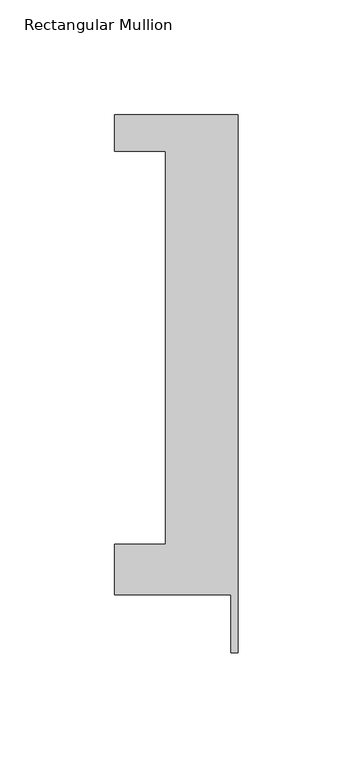
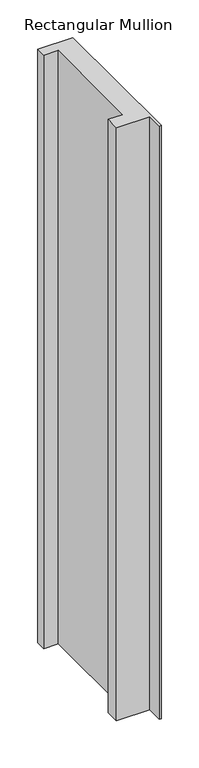
"""IFC4 building model written with IfcOpenShell, lengths in millimetres: member geometry, Rectangular Mullion."""

from ifc_helpers import new_model, si_unit, frame, origin, place, context, project, spatial, polyline, outline, extrude, source, transform, mapped, element, save


def rectangular_mullion_4a2a51cb(model_context):
    return source(origin(), model_context, "Body", "SweptSolid", [
        extrude(outline(polyline([(-53.975, 221.996), (0.0, 221.996), (0.0, -12.7), (-3.175, -12.7), (-3.175, 12.7), (-53.975, 12.7), (-53.975, 34.671), (-31.75, 34.671), (-31.75, 206.121), (-53.975, 206.121), (-53.975, 221.996)])), frame((0.0, 0.0, -962.025), z_axis=(0.0, 0.0, 1.0), x_axis=(1.0, 0.0, 0.0)), (0.0, 0.0, 1.0), 962.025),
    ])


if __name__ == "__main__":
    model = new_model("IFC4")
    model_context = context("Model", 3, world=origin())
    ifc_project = project(units=[si_unit("LENGTHUNIT", "METRE", prefix="MILLI")], contexts=[model_context])
    site = spatial("IfcSite", under=ifc_project)
    building = spatial("IfcBuilding", under=site)
    placement = place(None, origin())
    rectangular_mullion_shape = rectangular_mullion_4a2a51cb(model_context)
    element("IfcMember", 1, ObjectType="Rectangular Mullion", at=placement, inside=building, context=model_context, shape_type="MappedRepresentation", body=[
        mapped(rectangular_mullion_shape, transform((0.0, 0.0, 0.0), x_axis=(1.0, 0.0, 0.0), y_axis=(0.0, 1.0, 0.0), z_axis=(0.0, 0.0, 1.0))),
    ])
    save(model, "model.ifc")
